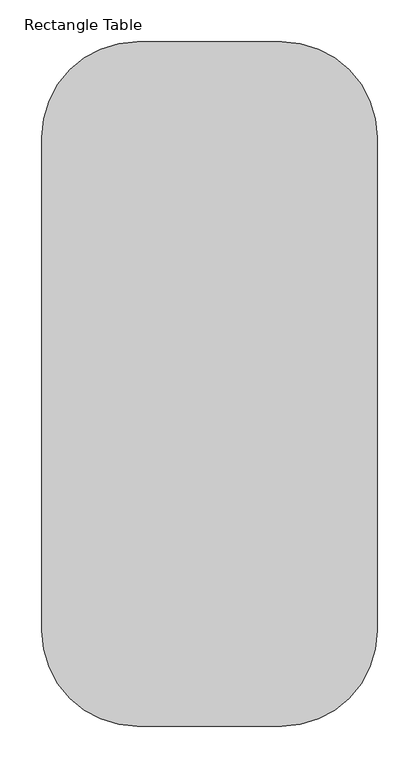
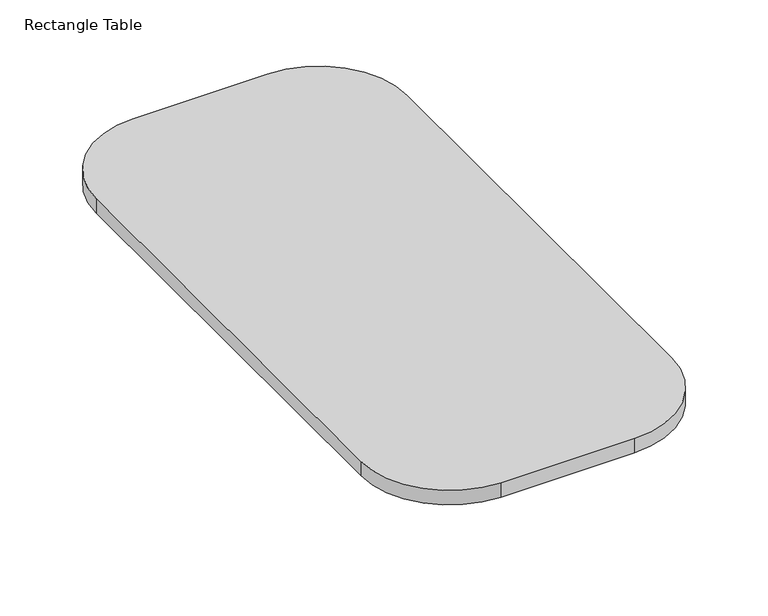
"""IFC4 building model written with IfcOpenShell, lengths in millimetres: furniture geometry, Rectangle Table."""

from ifc_helpers import new_model, si_unit, point, frame, frame_2d, origin, place, context, project, spatial, polyline, circle_curve, trimmed, segment, composite_curve, outline, extrude, source, transform, mapped, element, save


def rectangle_table_269c9989(model_context):
    return source(origin(), model_context, "Body", "SweptSolid", [
        extrude(outline(composite_curve([segment(trimmed(circle_curve(frame_2d((108.865872, 125.0107271)), 5.08), [point((103.785872, 125.0107271))], [point((108.865872, 130.0907271))], False, "CARTESIAN"), True, "CONTINUOUS"), segment(polyline([(108.865872, 130.0907271), (128.9876575, 130.0907271)]), True, "CONTINUOUS"), segment(trimmed(circle_curve(frame_2d((128.9876575, 125.0107271)), 5.08), [point((128.9876575, 130.0907271))], [point((134.0676575, 125.0107271))], False, "CARTESIAN"), True, "CONTINUOUS"), segment(polyline([(134.0676575, 125.0107271), (134.0676575, 75.5475648)]), True, "CONTINUOUS"), segment(trimmed(circle_curve(frame_2d((129.0980339, 75.5475648)), 4.9696236), [point((134.0676575, 75.5475648))], [point((129.0980339, 70.5779413))], False, "CARTESIAN"), True, "CONTINUOUS"), segment(polyline([(129.0980339, 70.5779413), (108.865872, 70.5779413)]), True, "CONTINUOUS"), segment(trimmed(circle_curve(frame_2d((108.865872, 75.6579413)), 5.08), [point((108.865872, 70.5779413))], [point((103.785872, 75.6579413))], False, "CARTESIAN"), True, "CONTINUOUS"), segment(polyline([(103.785872, 75.6579413), (103.785872, 125.0107271)]), True, "CONTINUOUS")], self_intersect=False)), frame((-335.7539124, 0.0, 0.0), z_axis=(1.0, 0.0, 0.0), x_axis=(0.0, 1.0, 0.0)), (0.0, 0.0, 1.0), 246.0385968),
        extrude(outline(composite_curve([segment(trimmed(circle_curve(frame_2d((688.6735965, 125.0107271)), 5.08), [point((683.5935965, 125.0107271))], [point((688.6735965, 130.0907271))], False, "CARTESIAN"), True, "CONTINUOUS"), segment(polyline([(688.6735965, 130.0907271), (708.795382, 130.0907271)]), True, "CONTINUOUS"), segment(trimmed(circle_curve(frame_2d((708.795382, 125.0107271)), 5.08), [point((708.795382, 130.0907271))], [point((713.875382, 125.0107271))], False, "CARTESIAN"), True, "CONTINUOUS"), segment(polyline([(713.875382, 125.0107271), (713.875382, 75.5475648)]), True, "CONTINUOUS"), segment(trimmed(circle_curve(frame_2d((708.9057584, 75.5475648)), 4.9696236), [point((713.875382, 75.5475648))], [point((708.9057584, 70.5779413))], False, "CARTESIAN"), True, "CONTINUOUS"), segment(polyline([(708.9057584, 70.5779413), (688.6735965, 70.5779413)]), True, "CONTINUOUS"), segment(trimmed(circle_curve(frame_2d((688.6735965, 75.6579413)), 5.08), [point((688.6735965, 70.5779413))], [point((683.5935965, 75.6579413))], False, "CARTESIAN"), True, "CONTINUOUS"), segment(polyline([(683.5935965, 75.6579413), (683.5935965, 125.0107271)]), True, "CONTINUOUS")], self_intersect=False)), frame((-335.7539124, 0.0, 0.0), z_axis=(1.0, 0.0, 0.0), x_axis=(0.0, 1.0, 0.0)), (0.0, 0.0, 1.0), 246.0385968),
        extrude(outline(composite_curve([segment(trimmed(circle_curve(frame_2d((-126.5046972, 704.1787629)), 114.3031093), [point((-126.5046972, 818.4818722))], [point((-12.201588, 704.1787629))], False, "CARTESIAN"), True, "CONTINUOUS"), segment(polyline([(-12.201588, 704.1787629), (-12.201588, 114.3031093)]), True, "CONTINUOUS"), segment(trimmed(circle_curve(frame_2d((-126.5046972, 114.3031093)), 114.3031093), [point((-12.201588, 114.3031093))], [point((-126.5046972, 0.0))], False, "CARTESIAN"), True, "CONTINUOUS"), segment(polyline([(-126.5046972, 0.0), (-298.9670833, 0.0)]), True, "CONTINUOUS"), segment(trimmed(circle_curve(frame_2d((-298.9670833, 114.3)), 114.3), [point((-298.9670833, 0.0))], [point((-413.2670833, 114.3))], False, "CARTESIAN"), True, "CONTINUOUS"), segment(polyline([(-413.2670833, 114.3), (-413.2670833, 704.1818722)]), True, "CONTINUOUS"), segment(trimmed(circle_curve(frame_2d((-298.9670833, 704.1818722)), 114.3), [point((-413.2670833, 704.1818722))], [point((-298.9670833, 818.4818722))], False, "CARTESIAN"), True, "CONTINUOUS"), segment(polyline([(-298.9670833, 818.4818722), (-126.5046972, 818.4818722)]), True, "CONTINUOUS")], self_intersect=False)), frame((0.0, 0.0, 131.1254356), z_axis=(0.0, 0.0, 1.0), x_axis=(1.0, 0.0, 0.0)), (0.0, 0.0, 1.0), 19.622158),
    ])


if __name__ == "__main__":
    model = new_model("IFC4")
    model_context = context("Model", 3, world=origin())
    ifc_project = project(units=[si_unit("LENGTHUNIT", "METRE", prefix="MILLI")], contexts=[model_context])
    site = spatial("IfcSite", under=ifc_project)
    building = spatial("IfcBuilding", under=site)
    placement = place(None, origin())
    rectangle_table_shape = rectangle_table_269c9989(model_context)
    element("IfcFurniture", 1, ObjectType="Rectangle Table", at=placement, inside=building, context=model_context, shape_type="MappedRepresentation", body=[
        mapped(rectangle_table_shape, transform((0.0, 0.0, 0.0), x_axis=(1.0, 0.0, 0.0), y_axis=(0.0, 1.0, 0.0), z_axis=(0.0, 0.0, 1.0))),
    ])
    save(model, "model.ifc")
